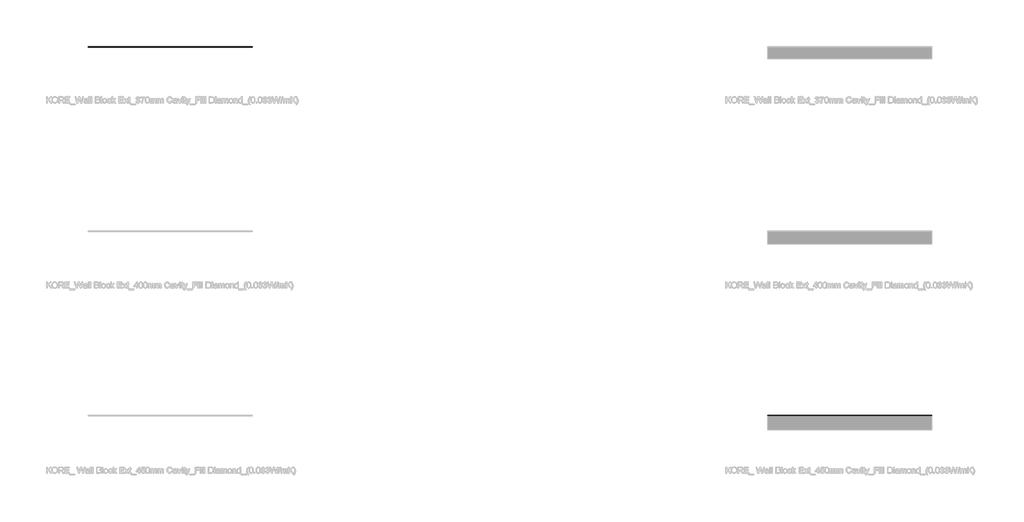
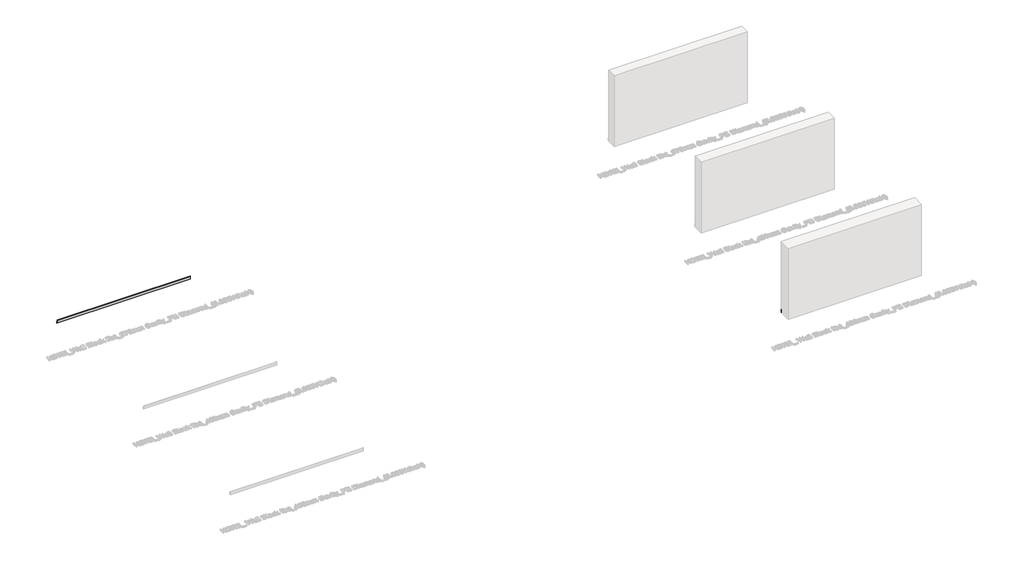
# One storey, part 57 of 60: 2 proxies.
"""IFC4 building model written with IfcOpenShell, lengths in millimetres."""

import ifcopenshell
import ifcopenshell.guid

model = None  # the IFC model being written
_history = None  # IfcOwnerHistory: only IFC2X3 demands one
_inside = {}  # id of a spatial element -> (the spatial element, [elements in it])
_under = {}  # id of a project, library or spatial element -> (it, [spatial elements below it])
_declared = {}  # id of a project -> (the project, [libraries it declares])
_typed = {}  # id of a type object -> (the type object, [elements of that type])
_made_of = {}  # id of a material, layer set ... -> (it, [elements and type objects made of it])


def new_model(schema):
    """Start an empty IFC model of exactly this schema.

    Asked for "IFC4X3", IfcOpenShell would pick the latest addendum, in which some entities
    have other attributes; the version numbers below select the first issue.
    IFC2X3 requires an IfcOwnerHistory on every rooted entity: one is made here for all.
    """
    global model, _history
    if schema == "IFC4X3":
        model = ifcopenshell.file(schema_version=(4, 3, 0, 0))
    else:
        model = ifcopenshell.file(schema=schema)
    _inside.clear()
    _under.clear()
    _declared.clear()
    _typed.clear()
    _made_of.clear()
    _history = None
    if model.schema == "IFC2X3":
        org = make("IfcOrganization", Name="unknown")
        user = make(
            "IfcPersonAndOrganization",
            ThePerson=make("IfcPerson", FamilyName="unknown"),
            TheOrganization=org,
        )
        app = make(
            "IfcApplication",
            ApplicationDeveloper=org,
            Version="unknown",
            ApplicationFullName="unknown",
            ApplicationIdentifier="unknown",
        )
        _history = make(
            "IfcOwnerHistory",
            OwningUser=user,
            OwningApplication=app,
            ChangeAction="ADDED",
            CreationDate=0,
        )
    return model


def make(cls, **values):
    """One entity of the class cls with the attributes given. An attribute that is None is left unset."""
    return model.create_entity(
        cls, **{name: value for name, value in values.items() if value is not None}
    )


def rooted(cls, **values):
    """An entity with a GlobalId (a new one), such as an element, a storey or a relation."""
    return make(cls, GlobalId=ifcopenshell.guid.new(), OwnerHistory=_history, **values)


def si_unit(unit_type, name, prefix=None):
    """IfcSIUnit, for example si_unit("LENGTHUNIT", "METRE", prefix="MILLI")."""
    return make("IfcSIUnit", UnitType=unit_type, Prefix=prefix, Name=name)


def assignment(units):
    """IfcUnitAssignment: the units of a project."""
    return None if units is None else make("IfcUnitAssignment", Units=units)


def point(xyz):
    """IfcCartesianPoint."""
    return None if xyz is None else make("IfcCartesianPoint", Coordinates=xyz)


def direction(xyz):
    """IfcDirection."""
    return None if xyz is None else make("IfcDirection", DirectionRatios=xyz)


def frame(location, z_axis=None, x_axis=None):
    """IfcAxis2Placement3D, a coordinate frame: its origin and axes. An axis left out is left unset."""
    return make(
        "IfcAxis2Placement3D",
        Location=point(location),
        Axis=direction(z_axis),
        RefDirection=direction(x_axis),
    )


def frame_2d(location, x_axis=None):
    """IfcAxis2Placement2D, a coordinate frame in the plane: its origin and x axis."""
    return make(
        "IfcAxis2Placement2D", Location=point(location), RefDirection=direction(x_axis)
    )


def origin():
    """The frame at (0, 0, 0) with its axes left unset."""
    return frame((0.0, 0.0, 0.0))


def place(relative_to, where):
    """IfcLocalPlacement: puts the frame where relative to a parent placement (None: the world)."""
    return make(
        "IfcLocalPlacement", PlacementRelTo=relative_to, RelativePlacement=where
    )


def context(
    kind, dimensions, precision=None, world=None, true_north=None, identifier=None
):
    """IfcGeometricRepresentationContext, for example the 3D "Model" context."""
    return make(
        "IfcGeometricRepresentationContext",
        ContextIdentifier=identifier,
        ContextType=kind,
        CoordinateSpaceDimension=dimensions,
        Precision=precision,
        WorldCoordinateSystem=world,
        TrueNorth=true_north,
    )


def project(units=None, contexts=None):
    """IfcProject with its units and contexts."""
    return rooted(
        "IfcProject",
        Name="project",
        RepresentationContexts=contexts,
        UnitsInContext=assignment(units),
    )


def spatial(cls, under=None, at=None, **own):
    """A site, building, storey or space (cls), placed at a placement, below another one or the project."""
    s = rooted(cls, ObjectPlacement=at, **own)
    if under is not None:
        _under.setdefault(under.id(), (under, []))[1].append(s)
    return s


def polyline(points):
    """IfcPolyline through the points."""
    return make("IfcPolyline", Points=[point(p) for p in points])


def circle_curve(where, radius):
    """IfcCircle in the frame where."""
    return make("IfcCircle", Position=where, Radius=radius)


def trimmed(basis, trim1, trim2, sense, master):
    """IfcTrimmedCurve: the piece of a basis curve between two trims."""
    return make(
        "IfcTrimmedCurve",
        BasisCurve=basis,
        Trim1=trim1,
        Trim2=trim2,
        SenseAgreement=sense,
        MasterRepresentation=master,
    )


def segment(curve, same_sense, transition):
    """IfcCompositeCurveSegment."""
    return make(
        "IfcCompositeCurveSegment",
        Transition=transition,
        SameSense=same_sense,
        ParentCurve=curve,
    )


def composite_curve(segments, self_intersect=None):
    """IfcCompositeCurve: segments joined end to end."""
    return make("IfcCompositeCurve", Segments=segments, SelfIntersect=self_intersect)


def outline(outer, holes=None, kind="AREA"):
    """IfcArbitraryClosedProfileDef: a profile drawn as a closed curve; with holes, ...WithVoids."""
    if holes is None:
        return make("IfcArbitraryClosedProfileDef", ProfileType=kind, OuterCurve=outer)
    return make(
        "IfcArbitraryProfileDefWithVoids",
        ProfileType=kind,
        OuterCurve=outer,
        InnerCurves=holes,
    )


def extrude(swept, where, along, depth):
    """IfcExtrudedAreaSolid: the profile swept, set in the frame where, extruded along a direction by depth."""
    return make(
        "IfcExtrudedAreaSolid",
        SweptArea=swept,
        Position=where,
        ExtrudedDirection=direction(along),
        Depth=depth,
    )


def shape(context_of_items, identifier, shape_type, items):
    """IfcShapeRepresentation: the items that make up one representation, for example the "Body"."""
    return make(
        "IfcShapeRepresentation",
        ContextOfItems=context_of_items,
        RepresentationIdentifier=identifier,
        RepresentationType=shape_type,
        Items=items,
    )


def made_of(thing, what):
    """Note that an element or type object is made of a material, layer set ...; save() writes the relation."""
    if what is not None:
        _made_of.setdefault(what.id(), (what, []))[1].append(thing)
    return thing


def element(
    cls,
    number,
    at=None,
    inside=None,
    cuts=None,
    type_object=None,
    material=None,
    context=None,
    identifier="Body",
    shape_type=None,
    held_by="IfcProductDefinitionShape",
    body=None,
    shapes=None,
    **own,
):
    """One element of the class cls, such as IfcWall. Its Tag is "e" and its number.

    at: its placement. inside: the storey or other place that contains it. cuts: it is an
    opening in that element (IfcRelVoidsElement). A single representation is given by context,
    identifier, shape_type and body (its items); several are given by shapes. held_by: the class
    of the entity that holds the representations. save() writes the other relations.
    """
    e = rooted(cls, Tag="e%d" % number, ObjectPlacement=at, **own)
    if body is not None:
        shapes = [shape(context, identifier, shape_type, body)]
    if shapes is not None:
        e.Representation = make(held_by, Representations=shapes)
    if inside is not None:
        _inside.setdefault(inside.id(), (inside, []))[1].append(e)
    if cuts is not None:
        rooted(
            "IfcRelVoidsElement", RelatingBuildingElement=cuts, RelatedOpeningElement=e
        )
    if type_object is not None:
        _typed.setdefault(type_object.id(), (type_object, []))[1].append(e)
    return made_of(e, material)


def aggregate(whole, parts):
    """IfcRelAggregates: a whole, such as a stair, and the parts it consists of."""
    return rooted("IfcRelAggregates", RelatingObject=whole, RelatedObjects=parts)


def save(model, path):
    """Write the relations noted so far, then the file.

    IfcRelAggregates (storeys below a building ...), IfcRelContainedInSpatialStructure (elements
    in a storey), IfcRelDefinesByType, IfcRelAssociatesMaterial and IfcRelDeclares: one each for
    every whole, place, type object, material and project.
    """
    for whole, parts in _under.values():
        aggregate(whole, parts)
    for where, things in _inside.values():
        rooted(
            "IfcRelContainedInSpatialStructure",
            RelatedElements=things,
            RelatingStructure=where,
        )
    for kind, things in _typed.values():
        rooted("IfcRelDefinesByType", RelatedObjects=things, RelatingType=kind)
    for what, things in _made_of.values():
        rooted("IfcRelAssociatesMaterial", RelatedObjects=things, RelatingMaterial=what)
    for by, libraries in _declared.values():
        rooted("IfcRelDeclares", RelatingContext=by, RelatedDefinitions=libraries)
    model.write(path)


model = new_model("IFC4")

# Units and contexts
model_context = context("Model", 3, world=origin())
ifc_project = project(units=[si_unit("LENGTHUNIT", "METRE", prefix="MILLI")], contexts=[model_context])

# Site, building, storey
site = spatial("IfcSite", under=ifc_project)
building = spatial("IfcBuilding", under=site)
storey = spatial("IfcBuildingStorey", under=building, Elevation=0.0)

# Proxies
placement = place(None, origin())
element("IfcBuildingElementProxy", 1, Name="Wall Sweeps", at=placement, inside=storey, context=model_context, shape_type="SweptSolid", body=[
    extrude(outline(composite_curve([segment(polyline([(44190.4236863, 134.5), (44199.4236863, 134.5), (44199.4236863, 125.2473165)]), True, "CONTINUOUS"), segment(trimmed(circle_curve(frame_2d((44189.8063342, 113.7361681)), 15.0), [point((44199.4236863, 125.2473165))], [point((44204.8063342, 113.7361681))], False, "CARTESIAN"), True, "CONTINUOUS"), segment(polyline([(44204.8063342, 113.7361681), (44204.8063342, 94.9145021), (44208.4236863, 86.1071309), (44208.4236863, 14.5), (44190.4236863, 14.5), (44190.4236863, 134.5)]), True, "CONTINUOUS")], self_intersect=False)), frame((61930.0129216, 0.0, 0.0), z_axis=(1.0, 0.0, 0.0), x_axis=(0.0, 1.0, 0.0)), (0.0, 0.0, 1.0), 5310.0),
])
element("IfcBuildingElementProxy", 2, Name="Wall Sweeps", at=placement, inside=storey, context=model_context, shape_type="SweptSolid", body=[
    extrude(outline(composite_curve([segment(polyline([(32240.4236863, 129.5), (32249.4236863, 129.5), (32249.4236863, 120.2473165)]), True, "CONTINUOUS"), segment(trimmed(circle_curve(frame_2d((32239.8063342, 108.7361681)), 15.0), [point((32249.4236863, 120.2473165))], [point((32254.8063342, 108.7361681))], False, "CARTESIAN"), True, "CONTINUOUS"), segment(polyline([(32254.8063342, 108.7361681), (32254.8063342, 89.9145021), (32258.4236863, 81.1071309), (32258.4236863, 9.5), (32240.4236863, 9.5), (32240.4236863, 129.5)]), True, "CONTINUOUS")], self_intersect=False)), frame((83930.0129216, 0.0, 0.0), z_axis=(1.0, 0.0, 0.0), x_axis=(0.0, 1.0, 0.0)), (0.0, 0.0, 1.0), 5310.0),
])

save(model, "model.ifc")
